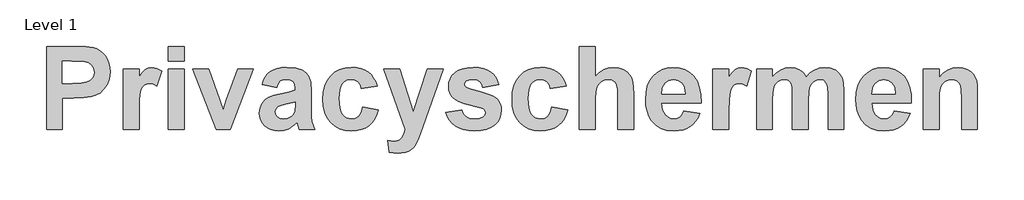
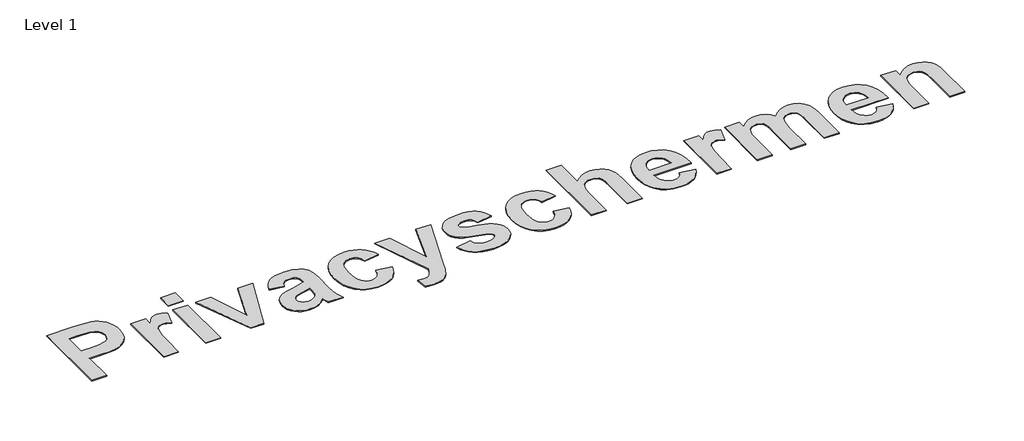
# One storey, part 19 of 20: 1 proxy.
"""IFC4 building model written with IfcOpenShell, lengths in millimetres."""

import ifcopenshell
import ifcopenshell.guid

model = None  # the IFC model being written
_history = None  # IfcOwnerHistory: only IFC2X3 demands one
_inside = {}  # id of a spatial element -> (the spatial element, [elements in it])
_under = {}  # id of a project, library or spatial element -> (it, [spatial elements below it])
_declared = {}  # id of a project -> (the project, [libraries it declares])
_typed = {}  # id of a type object -> (the type object, [elements of that type])
_made_of = {}  # id of a material, layer set ... -> (it, [elements and type objects made of it])


def new_model(schema):
    """Start an empty IFC model of exactly this schema.

    Asked for "IFC4X3", IfcOpenShell would pick the latest addendum, in which some entities
    have other attributes; the version numbers below select the first issue.
    IFC2X3 requires an IfcOwnerHistory on every rooted entity: one is made here for all.
    """
    global model, _history
    if schema == "IFC4X3":
        model = ifcopenshell.file(schema_version=(4, 3, 0, 0))
    else:
        model = ifcopenshell.file(schema=schema)
    _inside.clear()
    _under.clear()
    _declared.clear()
    _typed.clear()
    _made_of.clear()
    _history = None
    if model.schema == "IFC2X3":
        org = make("IfcOrganization", Name="unknown")
        user = make(
            "IfcPersonAndOrganization",
            ThePerson=make("IfcPerson", FamilyName="unknown"),
            TheOrganization=org,
        )
        app = make(
            "IfcApplication",
            ApplicationDeveloper=org,
            Version="unknown",
            ApplicationFullName="unknown",
            ApplicationIdentifier="unknown",
        )
        _history = make(
            "IfcOwnerHistory",
            OwningUser=user,
            OwningApplication=app,
            ChangeAction="ADDED",
            CreationDate=0,
        )
    return model


def make(cls, **values):
    """One entity of the class cls with the attributes given. An attribute that is None is left unset."""
    return model.create_entity(
        cls, **{name: value for name, value in values.items() if value is not None}
    )


def rooted(cls, **values):
    """An entity with a GlobalId (a new one), such as an element, a storey or a relation."""
    return make(cls, GlobalId=ifcopenshell.guid.new(), OwnerHistory=_history, **values)


def si_unit(unit_type, name, prefix=None):
    """IfcSIUnit, for example si_unit("LENGTHUNIT", "METRE", prefix="MILLI")."""
    return make("IfcSIUnit", UnitType=unit_type, Prefix=prefix, Name=name)


def assignment(units):
    """IfcUnitAssignment: the units of a project."""
    return None if units is None else make("IfcUnitAssignment", Units=units)


def point(xyz):
    """IfcCartesianPoint."""
    return None if xyz is None else make("IfcCartesianPoint", Coordinates=xyz)


def direction(xyz):
    """IfcDirection."""
    return None if xyz is None else make("IfcDirection", DirectionRatios=xyz)


def frame(location, z_axis=None, x_axis=None):
    """IfcAxis2Placement3D, a coordinate frame: its origin and axes. An axis left out is left unset."""
    return make(
        "IfcAxis2Placement3D",
        Location=point(location),
        Axis=direction(z_axis),
        RefDirection=direction(x_axis),
    )


def origin():
    """The frame at (0, 0, 0) with its axes left unset."""
    return frame((0.0, 0.0, 0.0))


def origin_with_axes():
    """The frame at (0, 0, 0) with the z axis (0, 0, 1) and the x axis (1, 0, 0) written out."""
    return frame((0.0, 0.0, 0.0), z_axis=(0.0, 0.0, 1.0), x_axis=(1.0, 0.0, 0.0))


def place(relative_to, where):
    """IfcLocalPlacement: puts the frame where relative to a parent placement (None: the world)."""
    return make(
        "IfcLocalPlacement", PlacementRelTo=relative_to, RelativePlacement=where
    )


def context(
    kind, dimensions, precision=None, world=None, true_north=None, identifier=None
):
    """IfcGeometricRepresentationContext, for example the 3D "Model" context."""
    return make(
        "IfcGeometricRepresentationContext",
        ContextIdentifier=identifier,
        ContextType=kind,
        CoordinateSpaceDimension=dimensions,
        Precision=precision,
        WorldCoordinateSystem=world,
        TrueNorth=true_north,
    )


def project(units=None, contexts=None):
    """IfcProject with its units and contexts."""
    return rooted(
        "IfcProject",
        Name="project",
        RepresentationContexts=contexts,
        UnitsInContext=assignment(units),
    )


def spatial(cls, under=None, at=None, **own):
    """A site, building, storey or space (cls), placed at a placement, below another one or the project."""
    s = rooted(cls, ObjectPlacement=at, **own)
    if under is not None:
        _under.setdefault(under.id(), (under, []))[1].append(s)
    return s


def polyline(points):
    """IfcPolyline through the points."""
    return make("IfcPolyline", Points=[point(p) for p in points])


def outline(outer, holes=None, kind="AREA"):
    """IfcArbitraryClosedProfileDef: a profile drawn as a closed curve; with holes, ...WithVoids."""
    if holes is None:
        return make("IfcArbitraryClosedProfileDef", ProfileType=kind, OuterCurve=outer)
    return make(
        "IfcArbitraryProfileDefWithVoids",
        ProfileType=kind,
        OuterCurve=outer,
        InnerCurves=holes,
    )


def extrude(swept, where, along, depth):
    """IfcExtrudedAreaSolid: the profile swept, set in the frame where, extruded along a direction by depth."""
    return make(
        "IfcExtrudedAreaSolid",
        SweptArea=swept,
        Position=where,
        ExtrudedDirection=direction(along),
        Depth=depth,
    )


def shape(context_of_items, identifier, shape_type, items):
    """IfcShapeRepresentation: the items that make up one representation, for example the "Body"."""
    return make(
        "IfcShapeRepresentation",
        ContextOfItems=context_of_items,
        RepresentationIdentifier=identifier,
        RepresentationType=shape_type,
        Items=items,
    )


def made_of(thing, what):
    """Note that an element or type object is made of a material, layer set ...; save() writes the relation."""
    if what is not None:
        _made_of.setdefault(what.id(), (what, []))[1].append(thing)
    return thing


def element(
    cls,
    number,
    at=None,
    inside=None,
    cuts=None,
    type_object=None,
    material=None,
    context=None,
    identifier="Body",
    shape_type=None,
    held_by="IfcProductDefinitionShape",
    body=None,
    shapes=None,
    **own,
):
    """One element of the class cls, such as IfcWall. Its Tag is "e" and its number.

    at: its placement. inside: the storey or other place that contains it. cuts: it is an
    opening in that element (IfcRelVoidsElement). A single representation is given by context,
    identifier, shape_type and body (its items); several are given by shapes. held_by: the class
    of the entity that holds the representations. save() writes the other relations.
    """
    e = rooted(cls, Tag="e%d" % number, ObjectPlacement=at, **own)
    if body is not None:
        shapes = [shape(context, identifier, shape_type, body)]
    if shapes is not None:
        e.Representation = make(held_by, Representations=shapes)
    if inside is not None:
        _inside.setdefault(inside.id(), (inside, []))[1].append(e)
    if cuts is not None:
        rooted(
            "IfcRelVoidsElement", RelatingBuildingElement=cuts, RelatedOpeningElement=e
        )
    if type_object is not None:
        _typed.setdefault(type_object.id(), (type_object, []))[1].append(e)
    return made_of(e, material)


def aggregate(whole, parts):
    """IfcRelAggregates: a whole, such as a stair, and the parts it consists of."""
    return rooted("IfcRelAggregates", RelatingObject=whole, RelatedObjects=parts)


def save(model, path):
    """Write the relations noted so far, then the file.

    IfcRelAggregates (storeys below a building ...), IfcRelContainedInSpatialStructure (elements
    in a storey), IfcRelDefinesByType, IfcRelAssociatesMaterial and IfcRelDeclares: one each for
    every whole, place, type object, material and project.
    """
    for whole, parts in _under.values():
        aggregate(whole, parts)
    for where, things in _inside.values():
        rooted(
            "IfcRelContainedInSpatialStructure",
            RelatedElements=things,
            RelatingStructure=where,
        )
    for kind, things in _typed.values():
        rooted("IfcRelDefinesByType", RelatedObjects=things, RelatingType=kind)
    for what, things in _made_of.values():
        rooted("IfcRelAssociatesMaterial", RelatedObjects=things, RelatingMaterial=what)
    for by, libraries in _declared.values():
        rooted("IfcRelDeclares", RelatingContext=by, RelatedDefinitions=libraries)
    model.write(path)


model = new_model("IFC4")

# Units and contexts
model_context = context("Model", 3, world=origin())
ifc_project = project(units=[si_unit("LENGTHUNIT", "METRE", prefix="MILLI")], contexts=[model_context])

# Site, building, storey
site = spatial("IfcSite", under=ifc_project)
building = spatial("IfcBuilding", under=site)
storey = spatial("IfcBuildingStorey", under=building, Name="Level 1", Elevation=0.0)

# Proxy
placement = place(None, origin())
element("IfcBuildingElementProxy", 1, Name="500mm", ObjectType="500mm", at=placement, inside=storey, context=model_context, shape_type="SweptSolid", body=[
    extrude(outline(polyline([(39489.6255121, 5092.9604945), (39489.6255121, 5592.9604945), (39650.7118216, 5592.9604945), (39726.3876649, 5591.1003754), (39770.1314645, 5585.5200183), (39790.6509027, 5578.2926807), (39809.4264794, 5567.7713824), (39826.4581944, 5553.9561232), (39841.7460478, 5536.8469032), (39854.3599801, 5516.7304908), (39863.3699318, 5493.8936542), (39868.7759027, 5468.3363935), (39870.5778931, 5440.0587088), (39866.3461222, 5397.9425133), (39853.6508097, 5363.1117842), (39834.4295796, 5335.2720024), (39810.6200558, 5314.1286492), (39784.3148722, 5299.3252018), (39757.6066629, 5290.5051373), (39712.8087958, 5285.2037981), (39651.5798772, 5283.436685), (39584.8636074, 5283.436685), (39584.8636074, 5092.9604945), (39489.6255121, 5092.9604945)]), holes=[polyline([(39584.8636074, 5505.6589072), (39584.8636074, 5370.7382723), (39644.0153931, 5370.7382723), (39697.2923028, 5372.5983913), (39729.3948574, 5378.1787485), (39748.5850855, 5387.7428606), (39763.1250161, 5401.5542445), (39772.2861024, 5418.7758467), (39775.3397978, 5438.5706135), (39771.046023, 5462.2251274), (39758.1646986, 5481.3533516), (39738.7419556, 5495.0562286), (39714.8239248, 5502.4347008), (39637.0709486, 5505.6589072), (39584.8636074, 5505.6589072)])]), origin_with_axes(), (0.0, 0.0, 1.0), 5.0),
    extrude(outline(polyline([(40045.1810677, 5092.9604945), (39949.9429724, 5092.9604945), (39949.9429724, 5458.0398596), (40045.1810677, 5458.0398596), (40045.1810677, 5407.1966056), (40065.3013554, 5437.0980193), (40083.2515042, 5454.6296413), (40101.2946589, 5463.139686), (40121.6939645, 5465.9763675), (40151.4248673, 5460.9540461), (40180.1017026, 5445.8870818), (40152.3239248, 5355.2372802), (40129.3824566, 5366.8630242), (40108.1770994, 5370.7382723), (40089.8704278, 5368.0255986), (40074.6329526, 5359.8875778), (40062.3871689, 5344.6811046), (40053.0555716, 5320.7630738), (40047.1496937, 5276.9882723), (40045.1810677, 5202.2114865), (40045.1810677, 5092.9604945)])), origin_with_axes(), (0.0, 0.0, 1.0), 5.0),
    extrude(outline(polyline([(40219.7842423, 5505.6589072), (40219.7842423, 5592.9604945), (40315.0223375, 5592.9604945), (40315.0223375, 5505.6589072), (40219.7842423, 5505.6589072)])), origin_with_axes(), (0.0, 0.0, 1.0), 5.0),
    extrude(outline(polyline([(40219.7842423, 5092.9604945), (40219.7842423, 5458.0398596), (40315.0223375, 5458.0398596), (40315.0223375, 5092.9604945), (40219.7842423, 5092.9604945)])), origin_with_axes(), (0.0, 0.0, 1.0), 5.0),
    extrude(outline(polyline([(40508.2267026, 5092.9604945), (40366.6096391, 5458.0398596), (40461.8477343, 5458.0398596), (40529.5560677, 5271.7799389), (40549.1493216, 5209.5279548), (40558.8219407, 5240.7779548), (40568.8665835, 5271.7799389), (40636.4509089, 5458.0398596), (40731.6890042, 5458.0398596), (40592.0560677, 5092.9604945), (40508.2267026, 5092.9604945)])), origin_with_axes(), (0.0, 0.0, 1.0), 5.0),
    extrude(outline(polyline([(40870.5778931, 5346.9287485), (40783.2763058, 5362.8017643), (40791.4802058, 5387.3863377), (40802.2030171, 5408.5606929), (40815.4447395, 5426.3248298), (40831.2053732, 5440.6787485), (40850.2832192, 5451.7464568), (40873.4765786, 5459.6519627), (40900.7854514, 5464.3952663), (40932.2098375, 5465.9763675), (40985.3162363, 5462.1476225), (41022.8596391, 5450.6613873), (41048.2192621, 5433.3002762), (41064.7743216, 5411.8469032), (41073.888905, 5378.5042693), (41076.9270994, 5325.4753754), (41076.9270994, 5212.8761691), (41078.1826798, 5171.0854945), (41081.9494208, 5141.9436294), (41089.1573822, 5118.2891155), (41100.7366232, 5092.9604945), (41005.498528, 5092.9604945), (40996.5699566, 5123.218431), (40993.2217423, 5135.2472008), (40968.5751649, 5113.3132971), (40942.2544804, 5097.6107921), (40914.1976847, 5088.1706879), (40884.342774, 5085.0239865), (40858.6227529, 5086.9344838), (40835.7781659, 5092.6659756), (40815.8090129, 5102.218462), (40798.7152939, 5115.5919429), (40785.0162921, 5131.8796103), (40775.2312909, 5150.1746562), (40769.3602901, 5170.4770805), (40767.4032899, 5192.7868834), (40770.8910131, 5221.9907524), (40781.3541828, 5247.8464072), (40798.1107552, 5269.2067742), (40820.4786867, 5284.9247802), (40851.201653, 5296.984552), (40893.0233296, 5307.3702167), (40947.1837958, 5319.6160004), (40981.6890042, 5331.0557326), (40981.6890042, 5341.1003754), (40978.7283147, 5365.8399588), (40969.8462462, 5382.2710104), (40952.779654, 5391.4785996), (40925.2653931, 5394.5477961), (40905.5171292, 5391.9126274), (40890.6671788, 5384.0071215), (40879.4444605, 5369.4671909), (40870.5778931, 5346.9287485)]), holes=[polyline([(40981.6890042, 5259.6271611), (40927.9935677, 5246.4203159), (40897.6116232, 5238.8403308), (40879.8784883, 5231.3533516), (40866.9506609, 5217.8054846), (40862.6413851, 5200.9714072), (40866.0981064, 5184.0908268), (40876.4682701, 5169.6594032), (40892.170775, 5159.7542693), (40911.6245201, 5156.452558), (40934.9690141, 5160.296804), (40957.1354328, 5171.8295421), (40970.4662859, 5184.7883715), (40978.216782, 5200.3513675), (40981.6890042, 5242.390058), (40981.6890042, 5259.6271611)])]), origin_with_axes(), (0.0, 0.0, 1.0), 5.0),
    extrude(outline(polyline([(41473.7524962, 5354.8652564), (41378.514401, 5338.9922405), (41371.2134337, 5363.2202911), (41358.2391034, 5380.5969032), (41340.0564397, 5391.0600729), (41317.1304724, 5394.5477961), (41301.1799516, 5392.9124414), (41286.9345399, 5388.0063774), (41274.3942373, 5379.8296041), (41263.5590439, 5368.3821215), (41254.8242348, 5353.1058938), (41248.5850855, 5333.4428854), (41243.5937661, 5280.9565262), (41248.7865984, 5222.765802), (41255.2776389, 5201.1806706), (41264.3650954, 5184.6023596), (41275.6381919, 5172.2868214), (41288.686152, 5163.4900084), (41303.5089757, 5158.2119206), (41320.1066629, 5156.452558), (41343.9006857, 5160.4673149), (41362.951405, 5172.5115858), (41377.1658147, 5194.3834856), (41386.4509089, 5227.8811294), (41481.6890042, 5212.0081135), (41472.9115674, 5182.4980999), (41460.8401699, 5156.8400828), (41445.4748115, 5135.0340622), (41426.8154923, 5117.0800381), (41404.7847073, 5103.0555156), (41379.3049516, 5093.0379994), (41350.3762252, 5087.0274898), (41317.998528, 5085.0239865), (41281.2107986, 5088.1784384), (41248.3525706, 5097.6417941), (41219.4238442, 5113.4140535), (41194.4246193, 5135.4952167), (41174.2694543, 5163.1489865), (41159.8729079, 5195.6390659), (41151.2349801, 5232.9654548), (41148.3556708, 5275.1281532), (41151.2156039, 5317.7675071), (41159.795403, 5355.4077911), (41174.0950682, 5388.0490051), (41194.1145994, 5415.6911492), (41219.0169432, 5437.6909322), (41247.9650458, 5453.4050629), (41280.9589075, 5462.8335414), (41317.998528, 5465.9763675), (41348.295217, 5464.2596326), (41375.3211966, 5459.109428), (41399.076467, 5450.5257537), (41419.561028, 5438.5086096), (41437.0848995, 5422.9804908), (41451.9581014, 5403.8638923), (41464.1806336, 5381.1588142), (41473.7524962, 5354.8652564)])), origin_with_axes(), (0.0, 0.0, 1.0), 5.0),
    extrude(outline(polyline([(41513.4350359, 5458.0398596), (41608.6731312, 5458.0398596), (41692.0064645, 5199.6073199), (41775.3397978, 5458.0398596), (41870.5778931, 5458.0398596), (41747.0659883, 5108.2134707), (41724.1245201, 5043.2333119), (41701.4930716, 4996.9783516), (41689.9448326, 4982.500425), (41676.7534883, 4971.0606929), (41661.1439893, 4962.2406284), (41642.3412859, 4955.6217048), (41596.2723375, 4950.1033516), (41545.1810677, 4955.5597008), (41537.2445597, 5026.1202167), (41575.0669804, 5021.5319231), (41602.0542076, 5026.5697455), (41612.5367534, 5032.8670235), (41621.0119208, 5041.6832127), (41634.2032651, 5064.578178), (41643.8913851, 5092.9604945), (41513.4350359, 5458.0398596)])), origin_with_axes(), (0.0, 0.0, 1.0), 5.0),
    extrude(outline(polyline([(41886.4509089, 5196.1350977), (41981.6890042, 5212.0081135), (41990.7570845, 5188.0125778), (42006.0565637, 5170.5894627), (42028.1144754, 5159.9867842), (42057.4578534, 5156.452558), (42089.2968911, 5159.8317742), (42112.1453534, 5169.9694231), (42121.4459486, 5181.0061294), (42124.546147, 5195.2670421), (42122.9030419, 5205.1256731), (42117.9737264, 5213.124185), (42106.7200062, 5219.6656036), (42086.8477343, 5225.6489865), (41994.8648474, 5250.0165461), (41964.3356436, 5261.4097752), (41944.1145994, 5272.2759707), (41925.8311793, 5288.4667569), (41912.7715935, 5307.5252266), (41904.935842, 5329.4513799), (41902.3239248, 5354.2452167), (41904.5638182, 5376.9309186), (41911.2834982, 5397.7410004), (41922.482965, 5416.6754622), (41938.1622185, 5433.734304), (41958.5537735, 5447.8402068), (41983.8901451, 5457.9158516), (42014.171333, 5463.9612385), (42049.3973375, 5465.9763675), (42082.9337338, 5464.3487633), (42111.8663355, 5459.4659508), (42136.1951426, 5451.32793), (42155.920155, 5439.9347008), (42171.9869332, 5425.3482673), (42185.3410379, 5407.6306334), (42195.982469, 5386.781799), (42203.9112264, 5362.8017643), (42108.6731312, 5346.9287485), (42101.6666828, 5367.297052), (42090.3199566, 5382.2710104), (42073.9509089, 5391.4785996), (42051.8774962, 5394.5477961), (42024.7507601, 5391.9436294), (42006.6145994, 5384.1311294), (41999.8251649, 5375.5745818), (41997.5620201, 5364.7858913), (41999.8251649, 5355.4542941), (42006.6145994, 5347.5487881), (42033.7568365, 5336.17106), (42090.8779923, 5320.8870818), (42152.0914099, 5301.6348496), (42174.5252207, 5290.4973868), (42191.5104328, 5278.3523596), (42203.8802244, 5264.2542073), (42212.7157899, 5247.6293933), (42218.0171292, 5228.4779176), (42219.7842423, 5206.7997802), (42217.2227033, 5182.6918623), (42209.5380865, 5160.343307), (42196.7303918, 5139.7541143), (42178.7996193, 5120.9242842), (42155.8465253, 5105.217904), (42127.9718663, 5093.999061), (42095.1756423, 5087.2677551), (42057.4578534, 5085.0239865), (42022.9022668, 5086.8918561), (41992.1521738, 5092.4954647), (41965.2075744, 5101.8348124), (41942.0684685, 5114.9098992), (41922.6651016, 5131.1936914), (41906.9277195, 5150.1591552), (41894.8563219, 5171.8062906), (41886.4509089, 5196.1350977)])), origin_with_axes(), (0.0, 0.0, 1.0), 5.0),
    extrude(outline(polyline([(42608.6731312, 5354.8652564), (42513.4350359, 5338.9922405), (42506.1340687, 5363.2202911), (42493.1597383, 5380.5969032), (42474.9770746, 5391.0600729), (42452.0511074, 5394.5477961), (42436.1005865, 5392.9124414), (42421.8551748, 5388.0063774), (42409.3148722, 5379.8296041), (42398.4796788, 5368.3821215), (42389.7448698, 5353.1058938), (42383.5057204, 5333.4428854), (42378.514401, 5280.9565262), (42383.7072333, 5222.765802), (42390.1982738, 5201.1806706), (42399.2857304, 5184.6023596), (42410.5588268, 5172.2868214), (42423.6067869, 5163.4900084), (42438.4296106, 5158.2119206), (42455.0272978, 5156.452558), (42478.8213206, 5160.4673149), (42497.8720399, 5172.5115858), (42512.0864496, 5194.3834856), (42521.3715439, 5227.8811294), (42616.6096391, 5212.0081135), (42607.8322023, 5182.4980999), (42595.7608048, 5156.8400828), (42580.3954464, 5135.0340622), (42561.7361272, 5117.0800381), (42539.7053422, 5103.0555156), (42514.2255865, 5093.0379994), (42485.2968601, 5087.0274898), (42452.9191629, 5085.0239865), (42416.1314335, 5088.1784384), (42383.2732056, 5097.6417941), (42354.3444791, 5113.4140535), (42329.3452542, 5135.4952167), (42309.1900892, 5163.1489865), (42294.7935429, 5195.6390659), (42286.155615, 5232.9654548), (42283.2763058, 5275.1281532), (42286.1362388, 5317.7675071), (42294.7160379, 5355.4077911), (42309.0157031, 5388.0490051), (42329.0352343, 5415.6911492), (42353.9375781, 5437.6909322), (42382.8856808, 5453.4050629), (42415.8795424, 5462.8335414), (42452.9191629, 5465.9763675), (42483.2158519, 5464.2596326), (42510.2418316, 5459.109428), (42533.9971019, 5450.5257537), (42554.4816629, 5438.5086096), (42572.0055344, 5422.9804908), (42586.8787363, 5403.8638923), (42599.1012686, 5381.1588142), (42608.6731312, 5354.8652564)])), origin_with_axes(), (0.0, 0.0, 1.0), 5.0),
    extrude(outline(polyline([(42783.2763058, 5592.9604945), (42783.2763058, 5411.9089072), (42807.202087, 5435.5634211), (42833.3445101, 5452.4595024), (42861.7035751, 5462.5971512), (42892.279282, 5465.9763675), (42923.2812661, 5462.8916701), (42951.0590439, 5453.6375778), (42974.0005121, 5439.562677), (42990.4935677, 5422.015554), (43001.654282, 5401.7247554), (43008.5987264, 5379.4188278), (43012.2259585, 5349.6569231), (43013.4350359, 5306.9981929), (43013.4350359, 5092.9604945), (42918.1969407, 5092.9604945), (42918.1969407, 5287.1569231), (42916.8638554, 5334.4814518), (42912.8645994, 5360.6316254), (42905.4861272, 5374.5980193), (42894.0153931, 5385.3712088), (42878.8244208, 5392.2536492), (42860.2852343, 5394.5477961), (42838.2118216, 5391.6026076), (42818.6185677, 5382.7670421), (42802.7300508, 5368.0100977), (42791.7708494, 5347.3007723), (42785.3999417, 5317.9108913), (42783.2763058, 5277.1122802), (42783.2763058, 5092.9604945), (42688.0382105, 5092.9604945), (42688.0382105, 5592.9604945), (42783.2763058, 5592.9604945)])), origin_with_axes(), (0.0, 0.0, 1.0), 5.0),
    extrude(outline(polyline([(43315.0223375, 5204.0716056), (43410.2604328, 5188.1985897), (43399.967774, 5164.4704461), (43387.0709486, 5143.7572455), (43371.5699566, 5126.0589878), (43353.4647978, 5111.3756731), (43332.8407279, 5099.8468102), (43309.7830022, 5091.6119082), (43284.2916207, 5086.670967), (43256.3665835, 5085.0239865), (43213.2350731, 5088.9069851), (43176.1024466, 5100.5559806), (43144.9687041, 5119.9709732), (43119.8338454, 5147.1519627), (43104.5343663, 5173.6509087), (43093.6061669, 5203.4205639), (43087.0492472, 5236.4609285), (43084.8636074, 5272.7720024), (43087.7622929, 5315.5857425), (43096.4583494, 5353.5011691), (43110.951777, 5386.5182822), (43131.2425756, 5414.6370818), (43155.9666579, 5437.0980193), (43183.7599367, 5453.1415461), (43214.6224119, 5462.7676621), (43248.5540835, 5465.9763675), (43286.2602467, 5462.6824067), (43319.7656411, 5452.8005242), (43349.0702666, 5436.3307202), (43374.1741232, 5413.2729945), (43394.1781535, 5383.4103333), (43408.1832998, 5346.5257227), (43416.1895622, 5302.6191626), (43418.1969407, 5251.6906532), (43180.1017026, 5251.6906532), (43186.2090935, 5211.5740858), (43193.0992844, 5195.2825431), (43202.5471391, 5181.5021611), (43213.9326178, 5170.5429598), (43226.6356808, 5162.7149588), (43240.6563281, 5158.0181582), (43255.9945597, 5156.452558), (43275.9908395, 5159.2737385), (43292.576901, 5167.7372802), (43305.6287363, 5182.4632227), (43315.0223375, 5204.0716056)]), holes=[polyline([(43322.9588454, 5307.2462088), (43317.1614744, 5344.8981185), (43310.6588082, 5359.8759521), (43301.7534883, 5372.2883715), (43279.3700558, 5388.9829399), (43252.6463454, 5394.5477961), (43224.4345399, 5388.6884211), (43201.5550756, 5371.1102961), (43192.7815141, 5358.2832251), (43186.5501153, 5343.3635203), (43181.7138058, 5307.2462088), (43322.9588454, 5307.2462088)])]), origin_with_axes(), (0.0, 0.0, 1.0), 5.0),
    extrude(outline(polyline([(43584.8636074, 5092.9604945), (43489.6255121, 5092.9604945), (43489.6255121, 5458.0398596), (43584.8636074, 5458.0398596), (43584.8636074, 5407.1966056), (43604.9838951, 5437.0980193), (43622.9340439, 5454.6296413), (43640.9771986, 5463.139686), (43661.3765042, 5465.9763675), (43691.107407, 5460.9540461), (43719.7842423, 5445.8870818), (43692.0064645, 5355.2372802), (43669.0649962, 5366.8630242), (43647.8596391, 5370.7382723), (43629.5529675, 5368.0255986), (43614.3154923, 5359.8875778), (43602.0697085, 5344.6811046), (43592.7381113, 5320.7630738), (43586.8322333, 5276.9882723), (43584.8636074, 5202.2114865), (43584.8636074, 5092.9604945)])), origin_with_axes(), (0.0, 0.0, 1.0), 5.0),
    extrude(outline(polyline([(43751.530274, 5458.0398596), (43846.7683693, 5458.0398596), (43846.7683693, 5409.1807326), (43870.2136198, 5434.0288229), (43895.7825062, 5451.7774588), (43923.4750285, 5462.4266403), (43953.2911867, 5465.9763675), (43983.96765, 5462.4886443), (44010.2728335, 5452.0254746), (44032.2377393, 5434.4938526), (44049.8933693, 5409.8007723), (44074.2764298, 5434.4938526), (44100.5506113, 5452.0254746), (44128.6849119, 5462.4886443), (44158.6483296, 5465.9763675), (44194.8276451, 5461.8996066), (44224.9925756, 5449.6693238), (44248.7400954, 5429.5335352), (44265.6671788, 5401.7402564), (44272.9216431, 5371.203302), (44275.3397978, 5326.2194231), (44275.3397978, 5092.9604945), (44180.1017026, 5092.9604945), (44180.1017026, 5303.1539469), (44177.6835478, 5348.1378258), (44170.4290835, 5373.7144627), (44153.998032, 5389.3394627), (44130.498528, 5394.5477961), (44111.4788107, 5391.4320967), (44093.6061669, 5382.0849985), (44078.7252145, 5366.7235153), (44068.6805716, 5345.5646611), (44062.9607056, 5314.531675), (44061.0540835, 5269.5477961), (44061.0540835, 5092.9604945), (43965.8159883, 5092.9604945), (43965.8159883, 5294.4733913), (43964.5759089, 5338.6357177), (43960.8556708, 5363.7318238), (43954.5467671, 5377.3106929), (43945.5406907, 5386.921308), (43933.3104079, 5392.641174), (43917.3288851, 5394.5477961), (43896.9605816, 5391.5251026), (43878.7624169, 5382.4570223), (43864.0674764, 5367.6690758), (43854.2088454, 5347.4867842), (43848.6284883, 5317.0893387), (43846.7683693, 5271.655931), (43846.7683693, 5092.9604945), (43751.530274, 5092.9604945), (43751.530274, 5458.0398596)])), origin_with_axes(), (0.0, 0.0, 1.0), 5.0),
    extrude(outline(polyline([(44576.9270994, 5204.0716056), (44672.1651947, 5188.1985897), (44661.8725359, 5164.4704461), (44648.9757105, 5143.7572455), (44633.4747185, 5126.0589878), (44615.3695597, 5111.3756731), (44594.7454898, 5099.8468102), (44571.6877641, 5091.6119082), (44546.1963827, 5086.670967), (44518.2713454, 5085.0239865), (44475.139835, 5088.9069851), (44438.0072085, 5100.5559806), (44406.873466, 5119.9709732), (44381.7386074, 5147.1519627), (44366.4391282, 5173.6509087), (44355.5109288, 5203.4205639), (44348.9540091, 5236.4609285), (44346.7683693, 5272.7720024), (44349.6670548, 5315.5857425), (44358.3631113, 5353.5011691), (44372.8565389, 5386.5182822), (44393.1473375, 5414.6370818), (44417.8714199, 5437.0980193), (44445.6646986, 5453.1415461), (44476.5271738, 5462.7676621), (44510.4588454, 5465.9763675), (44548.1650086, 5462.6824067), (44581.670403, 5452.8005242), (44610.9750285, 5436.3307202), (44636.0788851, 5413.2729945), (44656.0829154, 5383.4103333), (44670.0880617, 5346.5257227), (44678.0943241, 5302.6191626), (44680.1017026, 5251.6906532), (44442.0064645, 5251.6906532), (44448.1138554, 5211.5740858), (44455.0040463, 5195.2825431), (44464.451901, 5181.5021611), (44475.8373797, 5170.5429598), (44488.5404427, 5162.7149588), (44502.56109, 5158.0181582), (44517.8993216, 5156.452558), (44537.8956014, 5159.2737385), (44554.4816629, 5167.7372802), (44567.5334982, 5182.4632227), (44576.9270994, 5204.0716056)]), holes=[polyline([(44584.8636074, 5307.2462088), (44579.0662363, 5344.8981185), (44572.5635702, 5359.8759521), (44563.6582502, 5372.2883715), (44541.2748177, 5388.9829399), (44514.5511074, 5394.5477961), (44486.3393018, 5388.6884211), (44463.4598375, 5371.1102961), (44454.686276, 5358.2832251), (44448.4548772, 5343.3635203), (44443.6185677, 5307.2462088), (44584.8636074, 5307.2462088)])]), origin_with_axes(), (0.0, 0.0, 1.0), 5.0),
    extrude(outline(polyline([(45076.9270994, 5092.9604945), (44981.6890042, 5092.9604945), (44981.6890042, 5280.5845024), (44980.2009089, 5329.6916453), (44975.7366232, 5357.7174389), (44967.8931212, 5373.249433), (44956.2673772, 5384.875177), (44941.4174268, 5392.1296413), (44923.9013058, 5394.5477961), (44900.8513306, 5391.0910748), (44880.3125161, 5380.7209111), (44864.0674764, 5364.6308814), (44853.8988256, 5344.0145619), (44848.5509833, 5311.4469776), (44846.7683693, 5259.5031532), (44846.7683693, 5092.9604945), (44751.530274, 5092.9604945), (44751.530274, 5458.0398596), (44846.7683693, 5458.0398596), (44846.7683693, 5405.4604945), (44870.8646614, 5431.9361889), (44897.8906411, 5450.8473992), (44927.8463082, 5462.1941254), (44960.7316629, 5465.9763675), (44989.6875161, 5463.093183), (45016.0392026, 5454.4436294), (45038.0506113, 5441.3297901), (45053.9856312, 5425.0537485), (45064.9138306, 5406.0030292), (45071.904778, 5384.5651572), (45075.6715191, 5357.0198943), (45076.9270994, 5319.6470024), (45076.9270994, 5092.9604945)])), origin_with_axes(), (0.0, 0.0, 1.0), 5.0),
])

save(model, "model.ifc")
